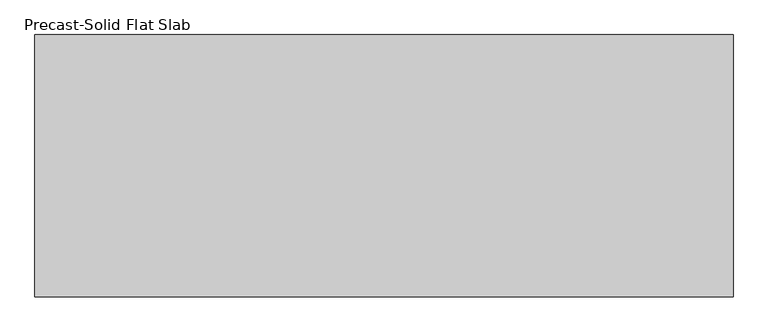
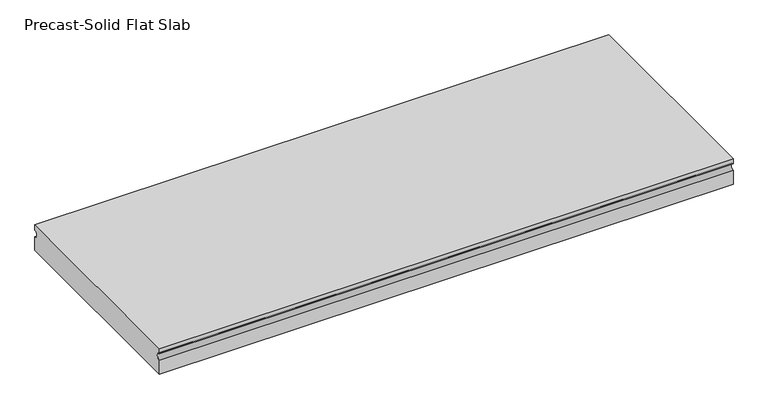
"""IFC4 building model written with IfcOpenShell, lengths in millimetres: beam geometry, Precast-Solid Flat Slab."""

from ifc_helpers import new_model, si_unit, point, frame, frame_2d, origin, place, context, project, spatial, polyline, circle_curve, trimmed, segment, composite_curve, outline, extrude, source, transform, mapped, element, save


def precast_solid_flat_slab_a6380467(model_context):
    return source(origin(), model_context, "Body", "SweptSolid", [
        extrude(outline(composite_curve([segment(polyline([(-304.8, 38.1), (304.8, 38.1), (304.8, 22.225)]), True, "CONTINUOUS"), segment(trimmed(circle_curve(frame_2d((304.8, 12.7)), 9.525), [point((304.8, 22.225))], [point((304.8, 3.175))], True, "CARTESIAN"), True, "CONTINUOUS"), segment(polyline([(304.8, 3.175), (304.8, -38.1), (-304.8, -38.1), (-304.8, 3.175)]), True, "CONTINUOUS"), segment(trimmed(circle_curve(frame_2d((-304.8, 12.7)), 9.525), [point((-304.8, 3.175))], [point((-304.8, 22.225))], True, "CARTESIAN"), True, "CONTINUOUS"), segment(polyline([(-304.8, 22.225), (-304.8, 38.1)]), True, "CONTINUOUS")], self_intersect=False)), frame((-825.4999994, 0.0, 0.0), z_axis=(1.0, 0.0, 0.0), x_axis=(0.0, 1.0, 0.0)), (0.0, 0.0, 1.0), 1622.7551994),
    ])


if __name__ == "__main__":
    model = new_model("IFC4")
    model_context = context("Model", 3, world=origin())
    ifc_project = project(units=[si_unit("LENGTHUNIT", "METRE", prefix="MILLI")], contexts=[model_context])
    site = spatial("IfcSite", under=ifc_project)
    building = spatial("IfcBuilding", under=site)
    placement = place(None, origin())
    precast_solid_flat_slab_shape = precast_solid_flat_slab_a6380467(model_context)
    element("IfcBeam", 1, ObjectType="Precast-Solid Flat Slab", at=placement, inside=building, context=model_context, shape_type="MappedRepresentation", body=[
        mapped(precast_solid_flat_slab_shape, transform((0.0, 0.0, 0.0), x_axis=(1.0, 0.0, 0.0), y_axis=(0.0, 1.0, 0.0), z_axis=(0.0, 0.0, 1.0))),
    ])
    save(model, "model.ifc")
